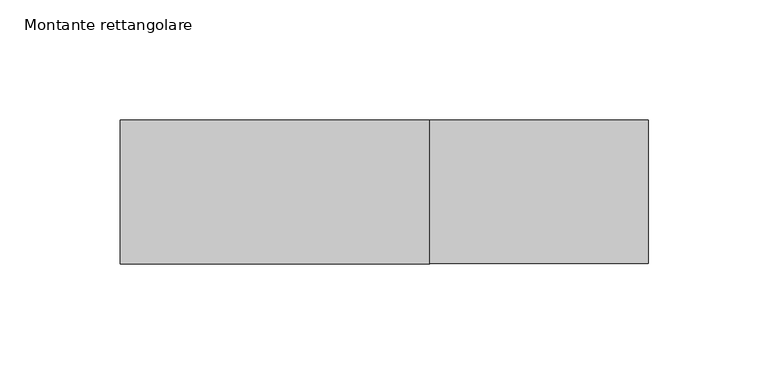
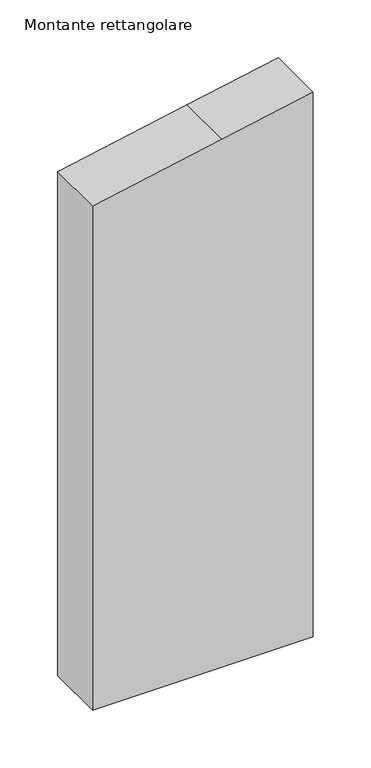
"""IFC4 building model written with IfcOpenShell, lengths in millimetres: member geometry, Montante rettangolare."""

from ifc_helpers import new_model, si_unit, frame, origin, place, context, project, spatial, polyline, outline, extrude, source, transform, mapped, element, save


def montante_rettangolare_49146d23(model_context):
    return source(origin(), model_context, "Body", "SweptSolid", [
        extrude(outline(polyline([(-80.4898355, 110.0), (-98.1627183, 19.0808995), (-123.2535035, -110.0), (-654.3302117, -110.0), (-654.3302117, 110.0), (-80.4898355, 110.0)])), frame((0.0, -30.0, 0.0), z_axis=(0.0, 1.0, 0.0), x_axis=(0.0, 0.0, 1.0)), (0.0, 0.0, 1.0), 60.0),
    ])


if __name__ == "__main__":
    model = new_model("IFC4")
    model_context = context("Model", 3, world=origin())
    ifc_project = project(units=[si_unit("LENGTHUNIT", "METRE", prefix="MILLI")], contexts=[model_context])
    site = spatial("IfcSite", under=ifc_project)
    building = spatial("IfcBuilding", under=site)
    placement = place(None, origin())
    montante_rettangolare_shape = montante_rettangolare_49146d23(model_context)
    element("IfcMember", 1, ObjectType="Montante rettangolare", at=placement, inside=building, context=model_context, shape_type="MappedRepresentation", body=[
        mapped(montante_rettangolare_shape, transform((0.0, 0.0, 0.0), x_axis=(1.0, 0.0, 0.0), y_axis=(0.0, 1.0, 0.0), z_axis=(0.0, 0.0, 1.0))),
    ])
    save(model, "model.ifc")
